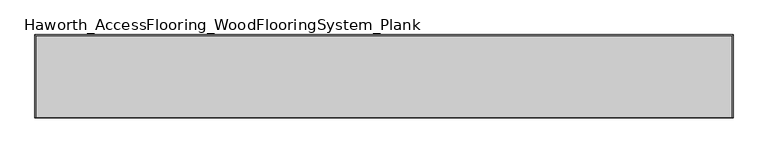
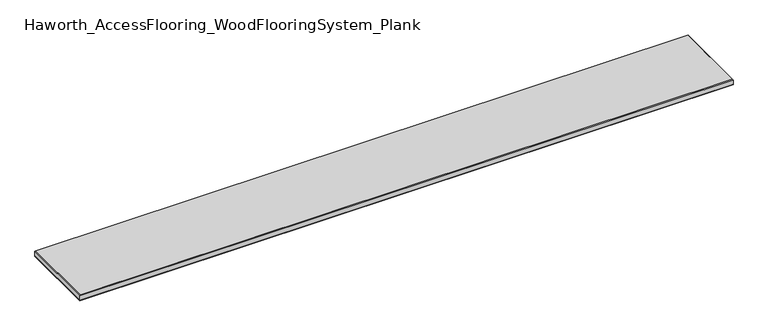
"""IFC4 building model written with IfcOpenShell, lengths in millimetres: proxy geometry, Haworth_AccessFlooring_WoodFlooringSystem_Plank."""

from ifc_helpers import new_model, si_unit, frame, origin, place, context, project, spatial, polyline, outline, extrude, faceted_brep, source, transform, mapped, element, save


def haworth_accessflooring_woodflooringsystem_plank_93324fa2(model_context):
    return source(origin(), model_context, "Body", "SolidModel", [
        extrude(outline(polyline([(921.6626605, 109.9839844), (921.6626605, -109.9839844), (-921.6626605, -109.9839844), (-921.6626605, 109.9839844), (921.6626605, 109.9839844)])), frame((0.0, 0.0, -15.875), z_axis=(0.0, 0.0, 1.0), x_axis=(1.0, 0.0, 0.0)), (0.0, 0.0, 1.0), 0.9921875),
        faceted_brep([(921.6626605, 109.9839844, -14.8828125), (921.6626605, -109.9839844, -14.8828125), (-921.6626605, -109.9839844, -14.8828125), (-921.6626605, 109.9839844, -14.8828125), (-921.6626605, 109.9839844, -1.5875), (921.6626605, 109.9839844, -1.5875), (-921.6626605, -109.9839844, -1.5875), (921.6626605, -109.9839844, -1.5875), (920.0751605, 108.3964844, 0.0), (-920.0751605, 108.3964844, 0.0), (-920.0751605, -108.3964844, 0.0), (920.0751605, -108.3964844, 0.0)], [[[0, 1, 2, 3]], [[0, 3, 4, 5]], [[3, 2, 6, 4]], [[2, 1, 7, 6]], [[1, 0, 5, 7]], [[8, 9, 10, 11]], [[9, 8, 5, 4]], [[10, 9, 4, 6]], [[11, 10, 6, 7]], [[8, 11, 7, 5]]]),
    ])


if __name__ == "__main__":
    model = new_model("IFC4")
    model_context = context("Model", 3, world=origin())
    ifc_project = project(units=[si_unit("LENGTHUNIT", "METRE", prefix="MILLI")], contexts=[model_context])
    site = spatial("IfcSite", under=ifc_project)
    building = spatial("IfcBuilding", under=site)
    placement = place(None, origin())
    haworth_accessflooring_woodflooringsystem_plank_shape = haworth_accessflooring_woodflooringsystem_plank_93324fa2(model_context)
    element("IfcBuildingElementProxy", 1, Name="Haworth_AccessFlooring_WoodFlooringSystem_Plank", ObjectType="Haworth_AccessFlooring_WoodFlooringSystem_Plank", at=placement, inside=building, context=model_context, shape_type="MappedRepresentation", body=[
        mapped(haworth_accessflooring_woodflooringsystem_plank_shape, transform((0.0, 0.0, 0.0), x_axis=(1.0, 0.0, 0.0), y_axis=(0.0, 1.0, 0.0), z_axis=(0.0, 0.0, 1.0))),
    ])
    save(model, "model.ifc")
